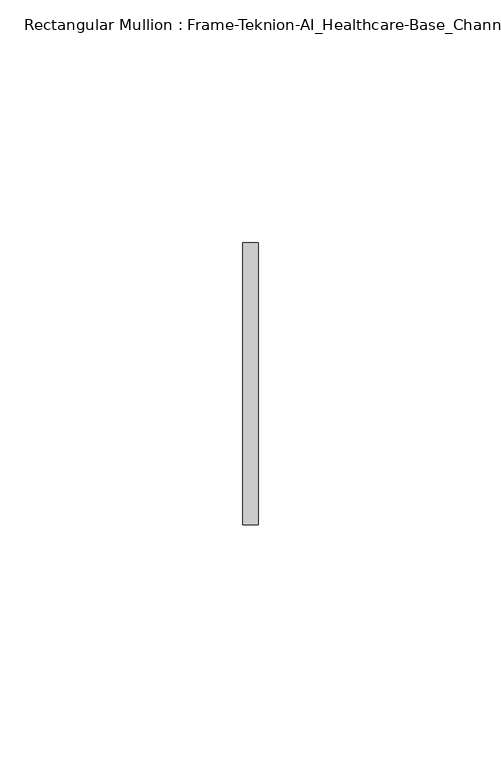
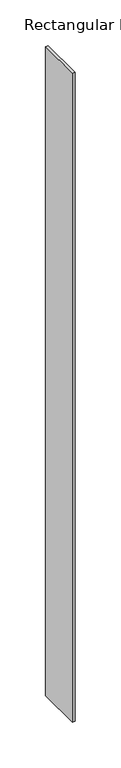
"""IFC4 building model written with IfcOpenShell, lengths in millimetres: member geometry, Rectangular Mullion : Frame-Teknion-AI_Healthcare-Base_Channel."""

from ifc_helpers import new_model, si_unit, frame, origin, place, context, project, spatial, polyline, outline, extrude, source, transform, mapped, element, save


def rectangular_mullion_frame_teknion_ai_healthcare_base_channel_c8e14291(model_context):
    return source(origin(), model_context, "Body", "SweptSolid", [
        extrude(outline(polyline([(0.0, 29.0214844), (0.0, -29.0214844), (-3.175, -29.0214844), (-3.175, 29.0214844), (0.0, 29.0214844)])), frame((0.0, 0.0, -861.4210245), z_axis=(0.0, 0.0, 1.0), x_axis=(1.0, 0.0, 0.0)), (0.0, 0.0, 1.0), 861.4210245),
    ])


if __name__ == "__main__":
    model = new_model("IFC4")
    model_context = context("Model", 3, world=origin())
    ifc_project = project(units=[si_unit("LENGTHUNIT", "METRE", prefix="MILLI")], contexts=[model_context])
    site = spatial("IfcSite", under=ifc_project)
    building = spatial("IfcBuilding", under=site)
    placement = place(None, origin())
    rectangular_mullion_frame_teknion_ai_healthcare_base_channel_shape = rectangular_mullion_frame_teknion_ai_healthcare_base_channel_c8e14291(model_context)
    element("IfcMember", 1, ObjectType="Rectangular Mullion : Frame-Teknion-AI_Healthcare-Base_Channel", at=placement, inside=building, context=model_context, shape_type="MappedRepresentation", body=[
        mapped(rectangular_mullion_frame_teknion_ai_healthcare_base_channel_shape, transform((0.0, 0.0, 0.0), x_axis=(1.0, 0.0, 0.0), y_axis=(0.0, 1.0, 0.0), z_axis=(0.0, 0.0, 1.0))),
    ])
    save(model, "model.ifc")
